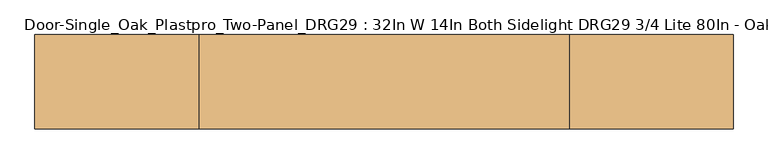
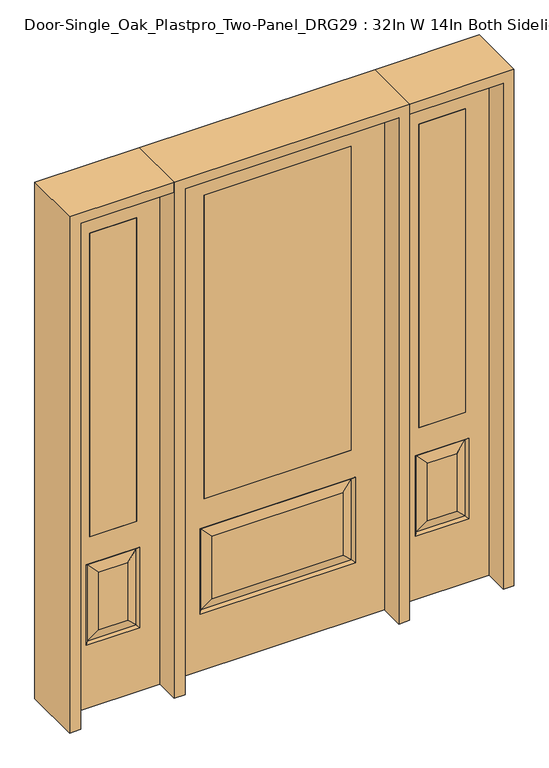
"""IFC4 building model written with IfcOpenShell, lengths in millimetres: door geometry, Door-Single_Oak_Plastpro_Two-Panel_DRG29 : 32In W 14In Both Sidelight DRG29 3/4 Lite 80In - Oak."""

from ifc_helpers import new_model, si_unit, frame, origin, place, context, project, spatial, polyline, outline, extrude, faceted_brep, source, transform, mapped, element, save


def door_single_oak_plastpro_two_panel_drg29_32in_w_14in_both_5530a1da(model_context):
    return source(origin(), model_context, "Body", "SolidModel", [
        extrude(outline(polyline([(-279.4, -20.6375), (-279.4, 20.6375), (279.4, 20.6375), (279.4, -20.6375), (-279.4, -20.6375)])), frame((0.0, 0.0, 685.8), z_axis=(0.0, 0.0, 1.0), x_axis=(1.0, 0.0, 0.0)), (0.0, 0.0, 1.0), 1219.2),
        faceted_brep([(-249.1224548, -20.6375, 274.7525452), (249.1224548, -20.6375, 274.7525452), (249.1224548, -20.6375, 525.3474548), (-249.1224548, -20.6375, 525.3474548), (406.4, -20.6375, 2032.0), (-406.4, -20.6375, 2032.0), (-406.4, -20.6375, 0.0), (406.4, -20.6375, 0.0), (295.1599548, -20.6375, 228.7150452), (-295.1599548, -20.6375, 228.7150452), (-295.1599548, -20.6375, 571.3849548), (295.1599548, -20.6375, 571.3849548), (-279.4, -20.6375, 1905.0), (279.4, -20.6375, 1905.0), (279.4, -20.6375, 685.8), (-279.4, -20.6375, 685.8), (-279.4, 20.6375, 1905.0), (-279.4, 20.6375, 685.8), (279.4, 20.6375, 685.8), (249.1224548, 20.6375, 274.7525452), (-249.1224548, 20.6375, 274.7525452), (-249.1224548, 20.6375, 525.3474548), (249.1224548, 20.6375, 525.3474548), (-406.4, 20.6375, 2032.0), (406.4, 20.6375, 2032.0), (406.4, 20.6375, 0.0), (-406.4, 20.6375, 0.0), (-295.1599548, 20.6375, 228.7150452), (295.1599548, 20.6375, 228.7150452), (295.1599548, 20.6375, 571.3849548), (-295.1599548, 20.6375, 571.3849548), (279.4, 20.6375, 1905.0), (286.1796986, -11.6572439, 237.6953014), (-286.1796986, -11.6572439, 237.6953014), (-286.1796986, -11.6572439, 562.4046986), (286.1796986, -11.6572439, 562.4046986), (286.1796986, 11.6572439, 237.6953014), (-286.1796986, 11.6572439, 237.6953014), (-286.1796986, 11.6572439, 562.4046986), (286.1796986, 11.6572439, 562.4046986)], [[[0, 1, 2, 3]], [[4, 5, 6, 7], [8, 9, 10, 11], [12, 13, 14, 15]], [[16, 12, 15, 17]], [[17, 15, 14, 18]], [[19, 20, 21, 22]], [[23, 24, 25, 26], [27, 28, 29, 30], [31, 16, 17, 18]], [[13, 31, 18, 14]], [[6, 26, 25, 7]], [[5, 23, 26, 6]], [[24, 4, 7, 25]], [[32, 33, 9, 8]], [[9, 33, 34, 10]], [[10, 34, 35, 11]], [[32, 8, 11, 35]], [[33, 32, 1, 0]], [[1, 32, 35, 2]], [[34, 3, 2, 35]], [[33, 0, 3, 34]], [[36, 37, 20, 19]], [[20, 37, 38, 21]], [[21, 38, 39, 22]], [[36, 19, 22, 39]], [[37, 36, 28, 27]], [[28, 36, 39, 29]], [[38, 30, 29, 39]], [[37, 27, 30, 38]], [[12, 16, 31, 13]], [[5, 4, 24, 23]]]),
        extrude(outline(polyline([(714.375, -20.6375), (536.575, -20.6375), (536.575, 20.6375), (714.375, 20.6375), (714.375, -20.6375)])), frame((0.0, 0.0, 685.8), z_axis=(0.0, 0.0, 1.0), x_axis=(1.0, 0.0, 0.0)), (0.0, 0.0, 1.0), 1219.2),
        faceted_brep([(714.375, -20.6375, 1905.0), (536.575, -20.6375, 1905.0), (536.575, 20.6375, 1905.0), (714.375, 20.6375, 1905.0), (680.9224548, -20.6375, 531.6974548), (570.0275452, -20.6375, 531.6974548), (570.0275452, -20.6375, 300.1525452), (680.9224548, -20.6375, 300.1525452), (447.675, -20.6375, 2032.0), (447.675, -20.6375, 0.0), (803.275, -20.6375, 0.0), (803.275, -20.6375, 2032.0), (714.375, -20.6375, 685.8), (536.575, -20.6375, 685.8), (726.9599548, -20.6375, 254.1150452), (523.9900452, -20.6375, 254.1150452), (523.9900452, -20.6375, 577.7349548), (726.9599548, -20.6375, 577.7349548), (717.9796986, 11.6572439, 568.7546986), (726.9599548, 20.6375, 577.7349548), (726.9599548, 20.6375, 254.1150452), (717.9796986, 11.6572439, 263.0953014), (532.9703014, 11.6572439, 568.7546986), (523.9900452, 20.6375, 577.7349548), (680.9224548, 20.6375, 300.1525452), (680.9224548, 20.6375, 531.6974548), (714.375, 20.6375, 685.8), (536.575, 20.6375, 685.8), (532.9703014, -11.6572439, 263.0953014), (717.9796986, -11.6572439, 263.0953014), (532.9703014, -11.6572439, 568.7546986), (717.9796986, -11.6572439, 568.7546986), (447.675, 20.6375, 2032.0), (803.275, 20.6375, 2032.0), (447.675, 20.6375, 0.0), (803.275, 20.6375, 0.0), (523.9900452, 20.6375, 254.1150452), (570.0275452, 20.6375, 300.1525452), (570.0275452, 20.6375, 531.6974548), (532.9703014, 11.6572439, 263.0953014)], [[[0, 1, 2, 3]], [[4, 5, 6, 7]], [[8, 9, 10, 11], [0, 12, 13, 1], [14, 15, 16, 17]], [[18, 19, 20, 21]], [[18, 22, 23, 19]], [[21, 24, 25, 18]], [[26, 27, 13, 12]], [[7, 6, 28, 29]], [[6, 5, 30, 28]], [[29, 14, 17, 31]], [[32, 8, 11, 33]], [[34, 35, 10, 9]], [[32, 34, 9, 8]], [[11, 10, 35, 33]], [[33, 35, 34, 32], [19, 23, 36, 20], [2, 27, 26, 3]], [[24, 37, 38, 25]], [[20, 36, 39, 21]], [[36, 23, 22, 39]], [[25, 38, 22, 18]], [[39, 22, 38, 37]], [[21, 39, 37, 24]], [[3, 26, 12, 0]], [[1, 13, 27, 2]], [[31, 4, 7, 29]], [[31, 30, 5, 4]], [[17, 16, 30, 31]], [[28, 30, 16, 15]], [[29, 28, 15, 14]]]),
        extrude(outline(polyline([(-714.375, -20.6375), (-714.375, 20.6375), (-536.575, 20.6375), (-536.575, -20.6375), (-714.375, -20.6375)])), frame((0.0, 0.0, 685.8), z_axis=(0.0, 0.0, 1.0), x_axis=(1.0, 0.0, 0.0)), (0.0, 0.0, 1.0), 1219.2),
        faceted_brep([(-714.375, -20.6375, 1905.0), (-714.375, 20.6375, 1905.0), (-536.575, 20.6375, 1905.0), (-536.575, -20.6375, 1905.0), (-680.9224548, -20.6375, 531.6974548), (-680.9224548, -20.6375, 300.1525452), (-570.0275452, -20.6375, 300.1525452), (-570.0275452, -20.6375, 531.6974548), (-447.675, -20.6375, 2032.0), (-803.275, -20.6375, 2032.0), (-803.275, -20.6375, 0.0), (-447.675, -20.6375, 0.0), (-726.9599548, -20.6375, 254.1150452), (-726.9599548, -20.6375, 577.7349548), (-523.9900452, -20.6375, 577.7349548), (-523.9900452, -20.6375, 254.1150452), (-536.575, -20.6375, 685.8), (-714.375, -20.6375, 685.8), (-717.9796986, 11.6572439, 568.7546986), (-717.9796986, 11.6572439, 263.0953014), (-726.9599548, 20.6375, 254.1150452), (-726.9599548, 20.6375, 577.7349548), (-523.9900452, 20.6375, 577.7349548), (-532.9703014, 11.6572439, 568.7546986), (-680.9224548, 20.6375, 531.6974548), (-680.9224548, 20.6375, 300.1525452), (-714.375, 20.6375, 685.8), (-536.575, 20.6375, 685.8), (-717.9796986, -11.6572439, 263.0953014), (-532.9703014, -11.6572439, 263.0953014), (-532.9703014, -11.6572439, 568.7546986), (-717.9796986, -11.6572439, 568.7546986), (-447.675, 20.6375, 2032.0), (-803.275, 20.6375, 2032.0), (-447.675, 20.6375, 0.0), (-803.275, 20.6375, 0.0), (-523.9900452, 20.6375, 254.1150452), (-570.0275452, 20.6375, 531.6974548), (-570.0275452, 20.6375, 300.1525452), (-532.9703014, 11.6572439, 263.0953014)], [[[0, 1, 2, 3]], [[4, 5, 6, 7]], [[8, 9, 10, 11], [12, 13, 14, 15], [0, 3, 16, 17]], [[18, 19, 20, 21]], [[18, 21, 22, 23]], [[19, 18, 24, 25]], [[26, 17, 16, 27]], [[5, 28, 29, 6]], [[6, 29, 30, 7]], [[28, 31, 13, 12]], [[32, 33, 9, 8]], [[34, 11, 10, 35]], [[32, 8, 11, 34]], [[9, 33, 35, 10]], [[33, 32, 34, 35], [21, 20, 36, 22], [2, 1, 26, 27]], [[25, 24, 37, 38]], [[20, 19, 39, 36]], [[36, 39, 23, 22]], [[24, 18, 23, 37]], [[39, 38, 37, 23]], [[19, 25, 38, 39]], [[1, 0, 17, 26]], [[3, 2, 27, 16]], [[31, 28, 5, 4]], [[31, 4, 7, 30]], [[13, 31, 30, 14]], [[29, 15, 14, 30]], [[28, 12, 15, 29]]]),
        extrude(outline(polyline([(2032.0, -447.675), (2073.275, -447.675), (2073.275, -844.55), (0.0, -844.55), (0.0, -803.275), (2032.0, -803.275), (2032.0, -447.675)])), frame((0.0, -114.3, 0.0), z_axis=(0.0, 1.0, 0.0), x_axis=(0.0, 0.0, 1.0)), (0.0, 0.0, 1.0), 228.6),
        extrude(outline(polyline([(2073.275, -447.675), (0.0, -447.675), (0.0, -406.4), (2032.0, -406.4), (2032.0, 406.4), (0.0, 406.4), (0.0, 447.675), (2073.275, 447.675), (2073.275, -447.675)])), frame((0.0, -114.3, 0.0), z_axis=(0.0, 1.0, 0.0), x_axis=(0.0, 0.0, 1.0)), (0.0, 0.0, 1.0), 228.6),
        extrude(outline(polyline([(0.0, 803.275), (0.0, 844.55), (2073.275, 844.55), (2073.275, 447.675), (2032.0, 447.675), (2032.0, 803.275), (0.0, 803.275)])), frame((0.0, -114.3, 0.0), z_axis=(0.0, 1.0, 0.0), x_axis=(0.0, 0.0, 1.0)), (0.0, 0.0, 1.0), 228.6),
    ])


if __name__ == "__main__":
    model = new_model("IFC4")
    model_context = context("Model", 3, world=origin())
    ifc_project = project(units=[si_unit("LENGTHUNIT", "METRE", prefix="MILLI")], contexts=[model_context])
    site = spatial("IfcSite", under=ifc_project)
    building = spatial("IfcBuilding", under=site)
    placement = place(None, origin())
    door_single_oak_plastpro_two_panel_drg29_32in_w_14in_both_shape = door_single_oak_plastpro_two_panel_drg29_32in_w_14in_both_5530a1da(model_context)
    element("IfcDoor", 1, ObjectType="Door-Single_Oak_Plastpro_Two-Panel_DRG29 : 32In W 14In Both Sidelight DRG29 3/4 Lite 80In - Oak", at=placement, inside=building, context=model_context, shape_type="MappedRepresentation", body=[
        mapped(door_single_oak_plastpro_two_panel_drg29_32in_w_14in_both_shape, transform((0.0, 0.0, 0.0), x_axis=(1.0, 0.0, 0.0), y_axis=(0.0, 1.0, 0.0), z_axis=(0.0, 0.0, 1.0))),
    ])
    save(model, "model.ifc")
